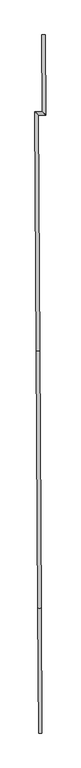
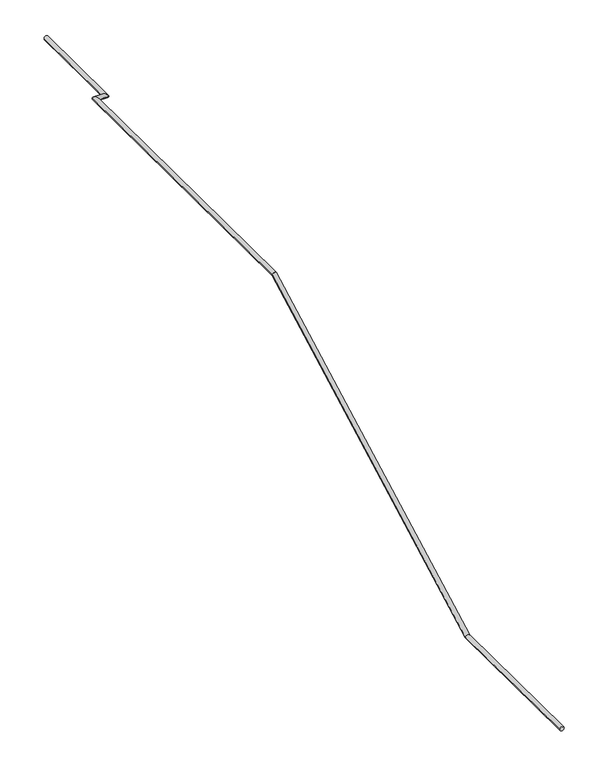
"""IFC4 building model written with IfcOpenShell, lengths in millimetres: railing geometry."""

from ifc_helpers import new_model, si_unit, frame, origin, place, context, project, spatial, circle_curve, ellipse_curve, source, transform, mapped, element, save
from ifc_brep_helpers import plane_surface, cylinder_surface, advanced_brep


def railing_8d29acc7(model_context):
    return source(origin(), model_context, "Body", "AdvancedBrep", [
        advanced_brep(
        [(56373.9405481, -23467.4434167, -6120.0), (56333.9412289, -23467.6767964, -6120.0), (56365.3767512, -21999.6811101, -6120.0), (56325.377432, -21999.9144899, -6120.0), (56347.7961392, -18986.5130332, -4460.0), (56307.79682, -18986.7464129, -4460.0), (56331.6599348, -16220.9041998, -4460.0), (56291.4284164, -16181.3405977, -4460.0), (56419.1408559, -16219.9501072, -4460.0), (56378.9443811, -16180.3861229, -4460.0), (56414.4861514, -15280.288811, -4460.0), (56374.4866421, -15280.4869525, -4460.0)],
        [
            (0, 1, circle_curve(frame((56353.9408885, -23467.5601066, -6120.0), z_axis=(0.005834494556858167, -0.999982979191779, 0.0), x_axis=(-0.999982979191779, -0.005834494556858167, 0.0)), 20.0)),
            (1, 0, circle_curve(frame((56353.9408885, -23467.5601066, -6120.0), z_axis=(0.005834494556858167, -0.999982979191779, 0.0), x_axis=(-0.999982979191779, -0.005834494556858167, 0.0)), 20.0)),
            (0, 2),
            (2, 3, ellipse_curve(frame((56345.3770916, -21999.7978, -6120.0), z_axis=(0.00565055162636443, -0.9684567179459583, -0.24911775675704098), x_axis=(0.0014534761958139807, -0.24911351657147923, 0.9684732021425991)), 20.6510619, 20.0)),
            (3, 1),
            (3, 2, ellipse_curve(frame((56345.3770916, -21999.7978, -6120.0), z_axis=(0.00565055162636443, -0.9684567179459583, -0.24911775675704098), x_axis=(0.0014534761958139807, -0.24911351657147923, 0.9684732021425991)), 20.6510619, 20.0)),
            (2, 4),
            (4, 5, ellipse_curve(frame((56327.7964796, -18986.629723, -4460.0), z_axis=(0.005650551626364686, -0.9684567179459583, -0.24911775675704087), x_axis=(-0.0014534761958149693, 0.24911351657147826, -0.9684732021425994)), 20.6510619, 20.0)),
            (5, 3),
            (5, 4, ellipse_curve(frame((56327.7964796, -18986.629723, -4460.0), z_axis=(0.005650551626364686, -0.9684567179459583, -0.24911775675704087), x_axis=(-0.0014534761958149693, 0.24911351657147826, -0.9684732021425994)), 20.6510619, 20.0)),
            (4, 6),
            (6, 7, ellipse_curve(frame((56311.5441756, -16201.1223987, -4460.0), z_axis=(-0.7011634592917682, -0.7130005633616295, 0.0), x_axis=(0.7130005633616294, -0.7011634592917682, 0.0)), 28.2128237, 20.0)),
            (7, 5),
            (7, 6, ellipse_curve(frame((56311.5441756, -16201.1223987, -4460.0), z_axis=(-0.7011634592917682, -0.7130005633616295, 0.0), x_axis=(0.7130005633616294, -0.7011634592917682, 0.0)), 28.2128237, 20.0)),
            (6, 8),
            (8, 9, ellipse_curve(frame((56399.0426185, -16200.168115, -4460.0), z_axis=(-0.7014774572829835, -0.7126916422435442, 0.0), x_axis=(-0.7126916422435443, 0.7014774572829834, 0.0)), 28.2004674, 20.0)),
            (9, 7),
            (9, 8, ellipse_curve(frame((56399.0426185, -16200.168115, -4460.0), z_axis=(-0.7014774572829835, -0.7126916422435442, 0.0), x_axis=(-0.7126916422435443, 0.7014774572829834, 0.0)), 28.2004674, 20.0)),
            (10, 11, circle_curve(frame((56394.4863968, -15280.3878818, -4460.0), z_axis=(-0.00495353748417183, 0.9999877311579344, 0.0), x_axis=(-0.9999877311579342, -0.004953537484171829, 0.0)), 20.0)),
            (11, 10, circle_curve(frame((56394.4863968, -15280.3878818, -4460.0), z_axis=(-0.00495353748417183, 0.9999877311579344, 0.0), x_axis=(-0.9999877311579342, -0.004953537484171829, 0.0)), 20.0)),
            (8, 10),
            (11, 9),
        ],
        [
            plane_surface(frame((56353.9408885, -23467.5601066, -6120.0), z_axis=(0.005834494556858166, -0.999982979191779, 0.0), x_axis=(0.999982979191779, 0.005834494556858166, 0.0))),
            cylinder_surface(frame((56353.9408885, -23467.5601066, -6120.0), z_axis=(0.005834494556858167, -0.999982979191779, 0.0), x_axis=(-0.999982979191779, -0.005834494556858167, 0.0)), 20.0),
            cylinder_surface(frame((56345.3770916, -21999.7978, -6120.0), z_axis=(0.005110321098056296, -0.8758657783394895, -0.4825277431941452), x_axis=(-0.999982979191779, -0.005834494556859012, 0.0)), 20.0),
            cylinder_surface(frame((56327.7964796, -18986.629723, -4460.0), z_axis=(0.0058344945568586624, -0.999982979191779, 0.0), x_axis=(-0.999982979191779, -0.0058344945568586624, 0.0)), 20.0),
            cylinder_surface(frame((56311.5441756, -16201.1223987, -4460.0), z_axis=(-0.9999405316881453, -0.01090564474157295, 0.0), x_axis=(-0.01090564474157295, 0.9999405316881453, 0.0)), 20.0),
            plane_surface(frame((56394.4863968, -15280.3878818, -4460.0), z_axis=(-0.004953537484171484, 0.9999877311579343, 0.0), x_axis=(0.9999877311579343, 0.004953537484171484, 0.0))),
            cylinder_surface(frame((56399.0426185, -16200.168115, -4460.0), z_axis=(0.004953537484171829, -0.9999877311579342, 0.0), x_axis=(-0.9999877311579342, -0.004953537484171829, 0.0)), 20.0),
        ],
        [
            (0, [[1, 2]]),
            (1, [[-1, 3, 4, 5]]),
            (1, [[-2, -5, 6, -3]]),
            (2, [[-4, 7, 8, 9]]),
            (2, [[-6, -9, 10, -7]]),
            (3, [[-8, 11, 12, 13]]),
            (3, [[-10, -13, 14, -11]]),
            (4, [[-12, 15, 16, 17]]),
            (4, [[-14, -17, 18, -15]]),
            (5, [[19, 20]]),
            (6, [[-16, 21, -20, 22]]),
            (6, [[-18, -22, -19, -21]]),
        ],
    ),
    ])


if __name__ == "__main__":
    model = new_model("IFC4")
    model_context = context("Model", 3, world=origin())
    ifc_project = project(units=[si_unit("LENGTHUNIT", "METRE", prefix="MILLI")], contexts=[model_context])
    site = spatial("IfcSite", under=ifc_project)
    building = spatial("IfcBuilding", under=site)
    placement = place(None, origin())
    railing_shape = railing_8d29acc7(model_context)
    element("IfcRailing", 1, at=placement, inside=building, context=model_context, shape_type="MappedRepresentation", body=[
        mapped(railing_shape, transform((0.0, 0.0, 0.0), x_axis=(1.0, 0.0, 0.0), y_axis=(0.0, 1.0, 0.0), z_axis=(0.0, 0.0, 1.0))),
    ])
    save(model, "model.ifc")
